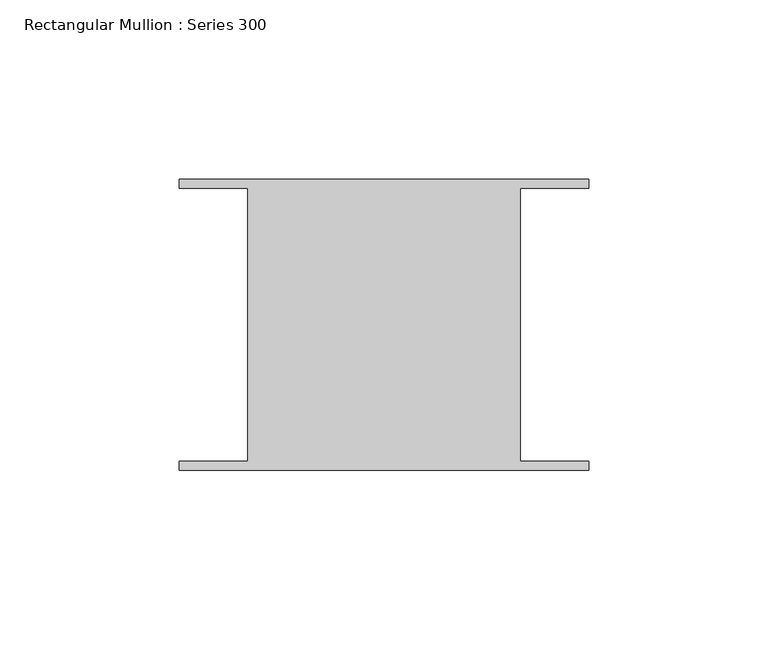
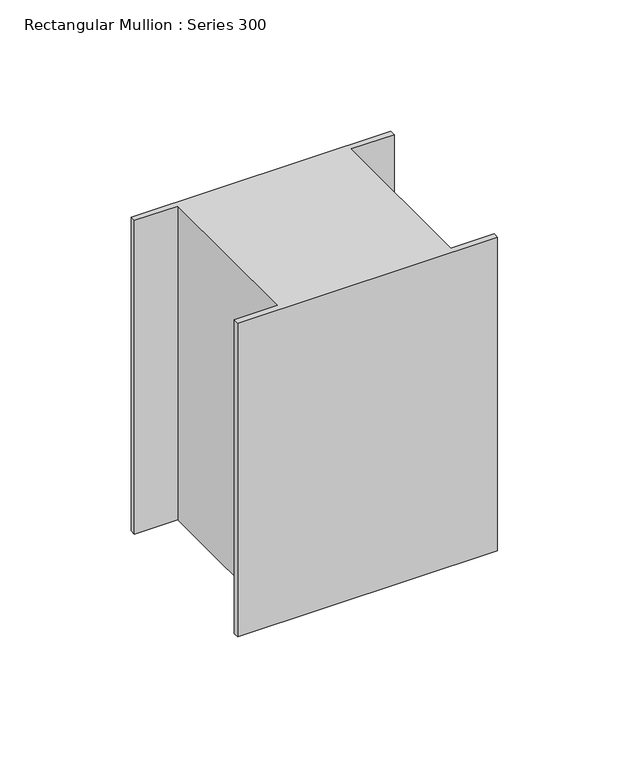
"""IFC4 building model written with IfcOpenShell, lengths in millimetres: member geometry, Rectangular Mullion : Series 300."""

from ifc_helpers import new_model, si_unit, frame, origin, place, context, project, spatial, polyline, outline, extrude, source, transform, mapped, element, save


def rectangular_mullion_series_300_7f3a1b6f(model_context):
    return source(origin(), model_context, "Body", "SweptSolid", [
        extrude(outline(polyline([(-57.15, 38.3180241), (-57.15, 40.8591073), (57.15, 40.8591073), (57.15, 38.2877188), (37.993673, 38.2877188), (37.993673, -37.9129276), (57.15, -37.9129276), (57.15, -40.4246411), (-57.15, -40.4246411), (-57.15, -37.8795282), (-38.0017722, -37.8795282), (-38.0017722, 38.3180241), (-57.15, 38.3180241)])), frame((0.0, 0.0, -146.05), z_axis=(0.0, 0.0, 1.0), x_axis=(1.0, 0.0, 0.0)), (0.0, 0.0, 1.0), 146.05),
    ])


if __name__ == "__main__":
    model = new_model("IFC4")
    model_context = context("Model", 3, world=origin())
    ifc_project = project(units=[si_unit("LENGTHUNIT", "METRE", prefix="MILLI")], contexts=[model_context])
    site = spatial("IfcSite", under=ifc_project)
    building = spatial("IfcBuilding", under=site)
    placement = place(None, origin())
    rectangular_mullion_series_300_shape = rectangular_mullion_series_300_7f3a1b6f(model_context)
    element("IfcMember", 1, ObjectType="Rectangular Mullion : Series 300", at=placement, inside=building, context=model_context, shape_type="MappedRepresentation", body=[
        mapped(rectangular_mullion_series_300_shape, transform((0.0, 0.0, 0.0), x_axis=(1.0, 0.0, 0.0), y_axis=(0.0, 1.0, 0.0), z_axis=(0.0, 0.0, 1.0))),
    ])
    save(model, "model.ifc")
